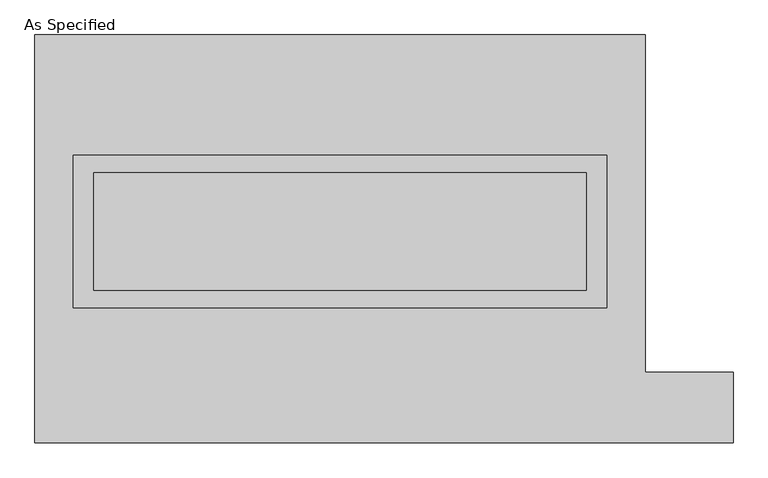
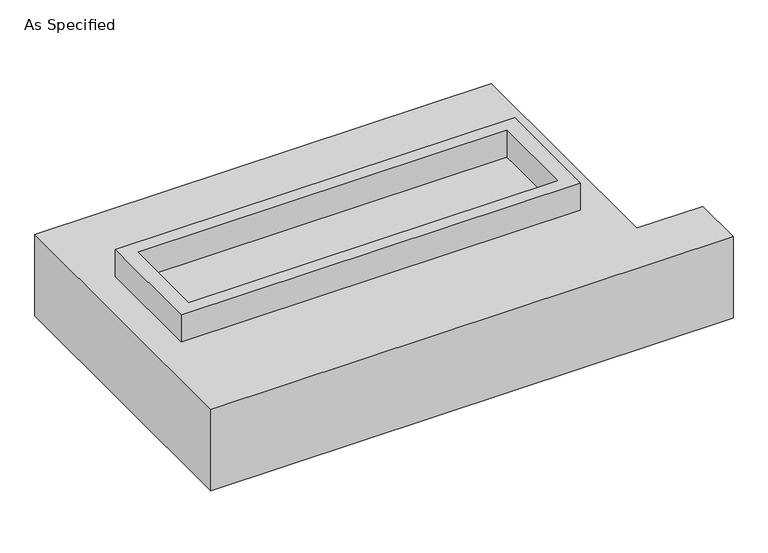
"""IFC4 building model written with IfcOpenShell, lengths in millimetres: proxy geometry, As Specified."""

from ifc_helpers import new_model, si_unit, frame, origin, place, context, project, spatial, polyline, outline, extrude, source, transform, mapped, element, save


def as_specified_da80e4a9(model_context):
    return source(origin(), model_context, "Body", "SweptSolid", [
        extrude(outline(polyline([(1155.7, 361.95), (1155.7, -298.45), (-1155.7, -298.45), (-1155.7, 361.95), (1155.7, 361.95)]), holes=[polyline([(1066.8, 285.75), (-1066.8, 285.75), (-1066.8, -222.25), (1066.8, -222.25), (1066.8, 285.75)])]), frame((0.0, 0.0, -688.975), z_axis=(0.0, 0.0, 1.0), x_axis=(1.0, 0.0, 0.0)), (0.0, 0.0, 1.0), 165.1),
        extrude(outline(polyline([(1155.7, 361.95), (1155.7, -298.45), (-1155.7, -298.45), (-1155.7, 361.95), (1155.7, 361.95)]), holes=[polyline([(1066.8, 285.75), (-1066.8, 285.75), (-1066.8, -222.25), (1066.8, -222.25), (1066.8, 285.75)])]), frame((0.0, 0.0, -25.4), z_axis=(0.0, 0.0, 1.0), x_axis=(1.0, 0.0, 0.0)), (0.0, 0.0, 1.0), 165.1),
        extrude(outline(polyline([(1066.8, 285.75), (1066.8, -222.25), (-1066.8, -222.25), (-1066.8, 285.75), (1066.8, 285.75)])), frame((0.0, 0.0, -523.875), z_axis=(0.0, 0.0, 1.0), x_axis=(1.0, 0.0, 0.0)), (0.0, 0.0, 1.0), 4.9609375),
        extrude(outline(polyline([(1066.8, 285.75), (1066.8, -222.25), (-1066.8, -222.25), (-1066.8, 285.75), (1066.8, 285.75)])), frame((0.0, 0.0, -30.3609375), z_axis=(0.0, 0.0, 1.0), x_axis=(1.0, 0.0, 0.0)), (0.0, 0.0, 1.0), 4.9609375),
        extrude(outline(polyline([(-1320.8, 882.65), (1320.8, 882.65), (1320.8, -577.85), (1701.8, -577.85), (1701.8, -882.65), (-1320.8, -882.65), (-1320.8, 882.65)]), holes=[polyline([(-1155.7, 361.95), (-1155.7, -298.45), (1155.7, -298.45), (1155.7, 361.95), (-1155.7, 361.95)])]), frame((0.0, 0.0, -523.875), z_axis=(0.0, 0.0, 1.0), x_axis=(1.0, 0.0, 0.0)), (0.0, 0.0, 1.0), 498.475),
    ])


if __name__ == "__main__":
    model = new_model("IFC4")
    model_context = context("Model", 3, world=origin())
    ifc_project = project(units=[si_unit("LENGTHUNIT", "METRE", prefix="MILLI")], contexts=[model_context])
    site = spatial("IfcSite", under=ifc_project)
    building = spatial("IfcBuilding", under=site)
    placement = place(None, origin())
    as_specified_shape = as_specified_da80e4a9(model_context)
    element("IfcBuildingElementProxy", 1, Name="As Specified", ObjectType="As Specified", at=placement, inside=building, context=model_context, shape_type="MappedRepresentation", body=[
        mapped(as_specified_shape, transform((0.0, 0.0, 0.0), x_axis=(1.0, 0.0, 0.0), y_axis=(0.0, 1.0, 0.0), z_axis=(0.0, 0.0, 1.0))),
    ])
    save(model, "model.ifc")
